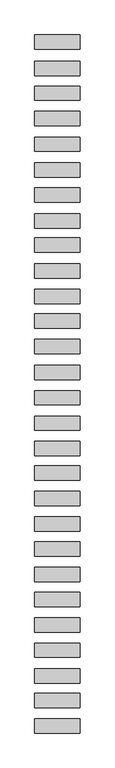
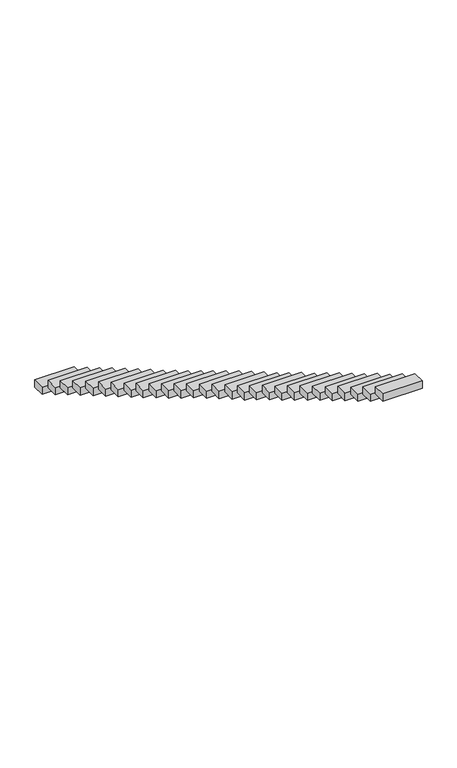
"""IFC4 building model written with IfcOpenShell, lengths in millimetres: proxy geometry."""

from ifc_helpers import new_model, si_unit, frame, origin, place, context, project, spatial, polyline, outline, extrude, source, transform, mapped, element, save


def generic_models_69ac16ff(model_context):
    return source(origin(), model_context, "Body", "SweptSolid", [
        extrude(outline(polyline([(-600.0, -7188.5372474), (-600.0, -6808.5372474), (600.0, -6808.5372474), (600.0, -7188.5372474), (-600.0, -7188.5372474)])), frame((0.0, 0.0, 4354.2661614), z_axis=(0.0, 0.0, 1.0), x_axis=(1.0, 0.0, 0.0)), (0.0, 0.0, 1.0), 230.0),
        extrude(outline(polyline([(-600.0, -6525.0302161), (-600.0, -6145.0302161), (600.0, -6145.0302161), (600.0, -6525.0302161), (-600.0, -6525.0302161)])), frame((0.0, 0.0, 3948.0732684), z_axis=(0.0, 0.0, 1.0), x_axis=(1.0, 0.0, 0.0)), (0.0, 0.0, 1.0), 230.0),
        extrude(outline(polyline([(-600.0, -5874.8527156), (-600.0, -5494.8527156), (600.0, -5494.8527156), (600.0, -5874.8527156), (-600.0, -5874.8527156)])), frame((0.0, 0.0, 3549.0151107), z_axis=(0.0, 0.0, 1.0), x_axis=(1.0, 0.0, 0.0)), (0.0, 0.0, 1.0), 230.0),
        extrude(outline(polyline([(-600.0, -5196.9966329), (-600.0, -4816.9966329), (600.0, -4816.9966329), (600.0, -5196.9966329), (-600.0, -5196.9966329)])), frame((0.0, 0.0, 3161.3611589), z_axis=(0.0, 0.0, 1.0), x_axis=(1.0, 0.0, 0.0)), (0.0, 0.0, 1.0), 230.0),
        extrude(outline(polyline([(-600.0, -4529.1973938), (-600.0, -4149.1973938), (600.0, -4149.1973938), (600.0, -4529.1973938), (-600.0, -4529.1973938)])), frame((0.0, 0.0, 2747.546511), z_axis=(0.0, 0.0, 1.0), x_axis=(1.0, 0.0, 0.0)), (0.0, 0.0, 1.0), 230.0),
        extrude(outline(polyline([(-600.0, -3856.584816), (-600.0, -3476.584816), (600.0, -3476.584816), (600.0, -3856.584816), (-600.0, -3856.584816)])), frame((0.0, 0.0, 2351.7837848), z_axis=(0.0, 0.0, 1.0), x_axis=(1.0, 0.0, 0.0)), (0.0, 0.0, 1.0), 230.0),
        extrude(outline(polyline([(-600.0, -3199.7596059), (-600.0, -2819.7596059), (600.0, -2819.7596059), (600.0, -3199.7596059), (-600.0, -3199.7596059)])), frame((0.0, 0.0, 1961.7515879), z_axis=(0.0, 0.0, 1.0), x_axis=(1.0, 0.0, 0.0)), (0.0, 0.0, 1.0), 230.0),
        extrude(outline(polyline([(-600.0, -2527.6340473), (-600.0, -2147.6340473), (600.0, -2147.6340473), (600.0, -2527.6340473), (-600.0, -2527.6340473)])), frame((0.0, 0.0, 1558.8541263), z_axis=(0.0, 0.0, 1.0), x_axis=(1.0, 0.0, 0.0)), (0.0, 0.0, 1.0), 230.0),
        extrude(outline(polyline([(-600.0, -1867.9435752), (-600.0, -1487.9435752), (600.0, -1487.9435752), (600.0, -1867.9435752), (-600.0, -1867.9435752)])), frame((0.0, 0.0, 1151.4441581), z_axis=(0.0, 0.0, 1.0), x_axis=(1.0, 0.0, 0.0)), (0.0, 0.0, 1.0), 230.0),
        extrude(outline(polyline([(-600.0, -1200.5745024), (-600.0, -820.5745024), (600.0, -820.5745024), (600.0, -1200.5745024), (-600.0, -1200.5745024)])), frame((0.0, 0.0, 765.0072815), z_axis=(0.0, 0.0, 1.0), x_axis=(1.0, 0.0, 0.0)), (0.0, 0.0, 1.0), 230.0),
        extrude(outline(polyline([(-600.0, -521.858087), (-600.0, -141.858087), (600.0, -141.858087), (600.0, -521.858087), (-600.0, -521.858087)])), frame((0.0, 0.0, 345.9491238), z_axis=(0.0, 0.0, 1.0), x_axis=(1.0, 0.0, 0.0)), (0.0, 0.0, 1.0), 230.0),
        extrude(outline(polyline([(-600.0, 117.4022188), (-600.0, 497.4022188), (600.0, 497.4022188), (600.0, 117.4022188), (-600.0, 117.4022188)])), frame((0.0, 0.0, -44.083073), z_axis=(0.0, 0.0, 1.0), x_axis=(1.0, 0.0, 0.0)), (0.0, 0.0, 1.0), 230.0),
        extrude(outline(polyline([(-600.0, 784.7144296), (-600.0, 1164.7144296), (600.0, 1164.7144296), (600.0, 784.7144296), (-600.0, 784.7144296)])), frame((0.0, 0.0, -418.8717601), z_axis=(0.0, 0.0, 1.0), x_axis=(1.0, 0.0, 0.0)), (0.0, 0.0, 1.0), 230.0),
        extrude(outline(polyline([(-600.0, 1456.3529875), (-600.0, 1836.3529875), (600.0, 1836.3529875), (600.0, 1456.3529875), (-600.0, 1456.3529875)])), frame((0.0, 0.0, -809.3909766), z_axis=(0.0, 0.0, 1.0), x_axis=(1.0, 0.0, 0.0)), (0.0, 0.0, 1.0), 230.0),
        extrude(outline(polyline([(-600.0, 2118.9087125), (-600.0, 2498.9087125), (600.0, 2498.9087125), (600.0, 2118.9087125), (-600.0, 2118.9087125)])), frame((0.0, 0.0, -1201.314399), z_axis=(0.0, 0.0, 1.0), x_axis=(1.0, 0.0, 0.0)), (0.0, 0.0, 1.0), 230.0),
        extrude(outline(polyline([(-600.0, 2803.4125232), (-600.0, 3183.4125232), (600.0, 3183.4125232), (600.0, 2803.4125232), (-600.0, 2803.4125232)])), frame((0.0, 0.0, -1601.3465959), z_axis=(0.0, 0.0, 1.0), x_axis=(1.0, 0.0, 0.0)), (0.0, 0.0, 1.0), 230.0),
        extrude(outline(polyline([(-600.0, 3473.5900052), (-600.0, 3853.5900052), (600.0, 3853.5900052), (600.0, 3473.5900052), (-600.0, 3473.5900052)])), frame((0.0, 0.0, -2014.6742242), z_axis=(0.0, 0.0, 1.0), x_axis=(1.0, 0.0, 0.0)), (0.0, 0.0, 1.0), 230.0),
        extrude(outline(polyline([(-600.0, 4128.9869706), (-600.0, 4508.9869706), (600.0, 4508.9869706), (600.0, 4128.9869706), (-600.0, 4128.9869706)])), frame((0.0, 0.0, -2412.1783926), z_axis=(0.0, 0.0, 1.0), x_axis=(1.0, 0.0, 0.0)), (0.0, 0.0, 1.0), 230.0),
        extrude(outline(polyline([(-600.0, 4797.6973425), (-600.0, 5177.6973425), (600.0, 5177.6973425), (600.0, 4797.6973425), (-600.0, 4797.6973425)])), frame((0.0, 0.0, -2810.6101069), z_axis=(0.0, 0.0, 1.0), x_axis=(1.0, 0.0, 0.0)), (0.0, 0.0, 1.0), 230.0),
        extrude(outline(polyline([(-600.0, 5477.4522165), (-600.0, 5857.4522165), (600.0, 5857.4522165), (600.0, 5477.4522165), (-600.0, 5477.4522165)])), frame((0.0, 0.0, -3217.024771), z_axis=(0.0, 0.0, 1.0), x_axis=(1.0, 0.0, 0.0)), (0.0, 0.0, 1.0), 230.0),
        extrude(outline(polyline([(-600.0, 6118.2156238), (-600.0, 6498.2156238), (600.0, 6498.2156238), (600.0, 6118.2156238), (-600.0, 6118.2156238)])), frame((0.0, 0.0, -3596.2462552), z_axis=(0.0, 0.0, 1.0), x_axis=(1.0, 0.0, 0.0)), (0.0, 0.0, 1.0), 230.0),
        extrude(outline(polyline([(-600.0, 6794.3739203), (-600.0, 7174.3739203), (600.0, 7174.3739203), (600.0, 6794.3739203), (-600.0, 6794.3739203)])), frame((0.0, 0.0, -3984.6779696), z_axis=(0.0, 0.0, 1.0), x_axis=(1.0, 0.0, 0.0)), (0.0, 0.0, 1.0), 230.0),
        extrude(outline(polyline([(-600.0, 7457.9441451), (-600.0, 7837.9441451), (600.0, 7837.9441451), (600.0, 7457.9441451), (-600.0, 7457.9441451)])), frame((0.0, 0.0, -4373.1096839), z_axis=(0.0, 0.0, 1.0), x_axis=(1.0, 0.0, 0.0)), (0.0, 0.0, 1.0), 230.0),
        extrude(outline(polyline([(-600.0, 8135.9007441), (-600.0, 8515.9007441), (600.0, 8515.9007441), (600.0, 8135.9007441), (-600.0, 8135.9007441)])), frame((0.0, 0.0, -4761.322643), z_axis=(0.0, 0.0, 1.0), x_axis=(1.0, 0.0, 0.0)), (0.0, 0.0, 1.0), 230.0),
        extrude(outline(polyline([(-600.0, 8817.4539114), (-600.0, 9197.4539114), (600.0, 9197.4539114), (600.0, 8817.4539114), (-600.0, 8817.4539114)])), frame((0.0, 0.0, -5160.5441272), z_axis=(0.0, 0.0, 1.0), x_axis=(1.0, 0.0, 0.0)), (0.0, 0.0, 1.0), 230.0),
        extrude(outline(polyline([(-600.0, 9480.0156212), (-600.0, 9860.0156212), (600.0, 9860.0156212), (600.0, 9480.0156212), (-600.0, 9480.0156212)])), frame((0.0, 0.0, -5556.7826616), z_axis=(0.0, 0.0, 1.0), x_axis=(1.0, 0.0, 0.0)), (0.0, 0.0, 1.0), 230.0),
        extrude(outline(polyline([(-600.0, 10133.5858645), (-600.0, 10513.5858645), (600.0, 10513.5858645), (600.0, 10133.5858645), (-600.0, 10133.5858645)])), frame((0.0, 0.0, -5943.416081), z_axis=(0.0, 0.0, 1.0), x_axis=(1.0, 0.0, 0.0)), (0.0, 0.0, 1.0), 230.0),
        extrude(outline(polyline([(-600.0, 10826.1475559), (-600.0, 11206.1475559), (600.0, 11206.1475559), (600.0, 10826.1475559), (-600.0, 10826.1475559)])), frame((0.0, 0.0, -6350.8579258), z_axis=(0.0, 0.0, 1.0), x_axis=(1.0, 0.0, 0.0)), (0.0, 0.0, 1.0), 230.0),
    ])


if __name__ == "__main__":
    model = new_model("IFC4")
    model_context = context("Model", 3, world=origin())
    ifc_project = project(units=[si_unit("LENGTHUNIT", "METRE", prefix="MILLI")], contexts=[model_context])
    site = spatial("IfcSite", under=ifc_project)
    building = spatial("IfcBuilding", under=site)
    placement = place(None, origin())
    generic_models_shape = generic_models_69ac16ff(model_context)
    element("IfcBuildingElementProxy", 1, Name="Generic Models", at=placement, inside=building, context=model_context, shape_type="MappedRepresentation", body=[
        mapped(generic_models_shape, transform((0.0, 0.0, 0.0), x_axis=(1.0, 0.0, 0.0), y_axis=(0.0, 1.0, 0.0), z_axis=(0.0, 0.0, 1.0))),
    ])
    save(model, "model.ifc")
